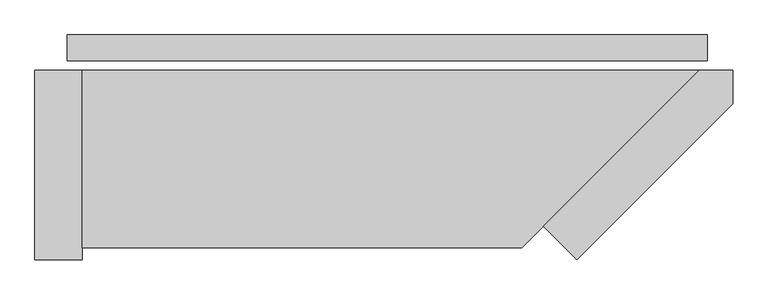
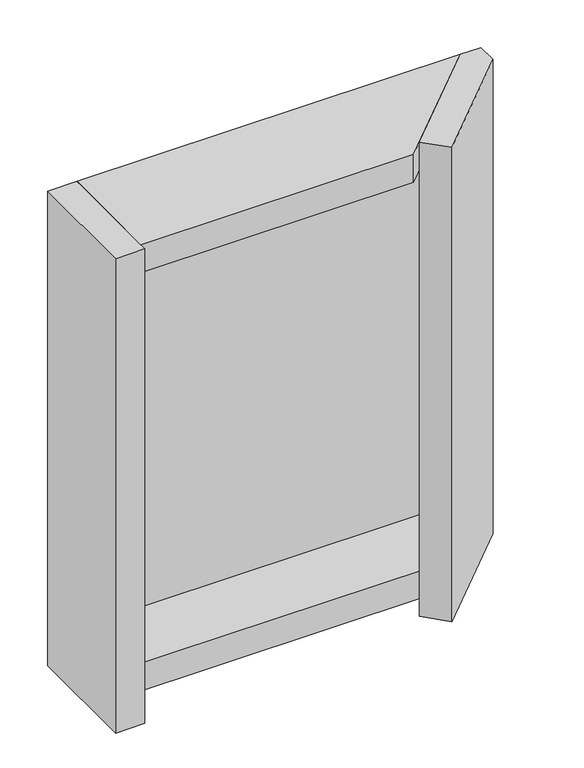
"""IFC4 building model written with IfcOpenShell, lengths in millimetres: plate geometry."""

from ifc_helpers import new_model, si_unit, frame, origin, origin_with_axes, place, context, project, spatial, polyline, outline, extrude, source, transform, mapped, element, save


def plate_b1e79d0b(model_context):
    return source(origin(), model_context, "Body", "SweptSolid", [
        extrude(outline(polyline([(541.0, 0.0), (541.0, -44.0), (-541.0, -44.0), (-541.0, 0.0), (541.0, 0.0)])), origin_with_axes(), (0.0, 0.0, 1.0), 1254.465707),
        extrude(outline(polyline([(264.0, -323.4314575), (527.4314575, -60.0), (584.0, -60.0), (584.0, -116.5685425), (320.5685425, -380.0), (264.0, -323.4314575)])), frame((0.0, 0.0, -55.0), z_axis=(0.0, 0.0, 1.0), x_axis=(1.0, 0.0, 0.0)), (0.0, 0.0, 1.0), 1364.465707),
        extrude(outline(polyline([(-516.0, -360.0), (-516.0, -60.0), (527.4314575, -60.0), (227.4314575, -360.0), (-516.0, -360.0)])), frame((0.0, 0.0, 1229.465707), z_axis=(0.0, 0.0, 1.0), x_axis=(1.0, 0.0, 0.0)), (0.0, 0.0, 1.0), 80.0),
        extrude(outline(polyline([(-516.0, -260.0), (-516.0, -60.0), (527.4314575, -60.0), (327.4314575, -260.0), (-516.0, -260.0)])), frame((0.0, 0.0, -55.0), z_axis=(0.0, 0.0, 1.0), x_axis=(1.0, 0.0, 0.0)), (0.0, 0.0, 1.0), 80.0),
        extrude(outline(polyline([(-596.0, -60.0), (-516.0, -60.0), (-516.0, -380.0), (-596.0, -380.0), (-596.0, -60.0)])), frame((0.0, 0.0, -55.0), z_axis=(0.0, 0.0, 1.0), x_axis=(1.0, 0.0, 0.0)), (0.0, 0.0, 1.0), 1364.465707),
    ])


if __name__ == "__main__":
    model = new_model("IFC4")
    model_context = context("Model", 3, world=origin())
    ifc_project = project(units=[si_unit("LENGTHUNIT", "METRE", prefix="MILLI")], contexts=[model_context])
    site = spatial("IfcSite", under=ifc_project)
    building = spatial("IfcBuilding", under=site)
    placement = place(None, origin())
    plate_shape = plate_b1e79d0b(model_context)
    element("IfcPlate", 1, at=placement, inside=building, context=model_context, shape_type="MappedRepresentation", body=[
        mapped(plate_shape, transform((0.0, 0.0, 0.0), x_axis=(1.0, 0.0, 0.0), y_axis=(0.0, 1.0, 0.0), z_axis=(0.0, 0.0, 1.0))),
    ])
    save(model, "model.ifc")
